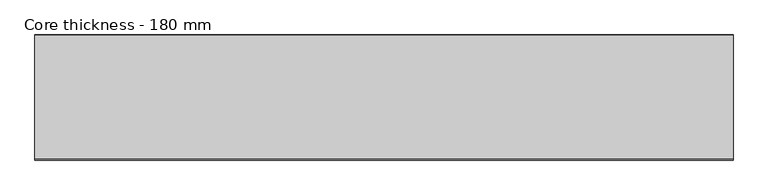
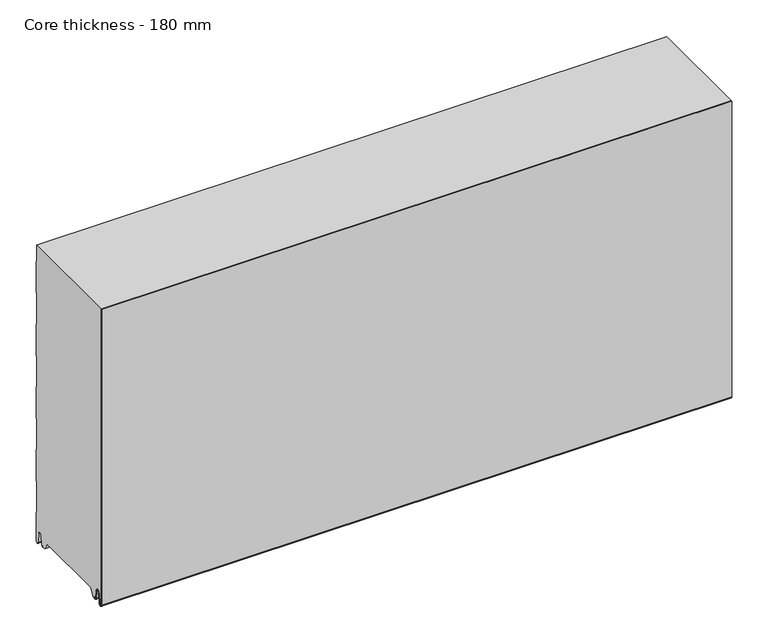
"""IFC4 building model written with IfcOpenShell, lengths in millimetres: plate geometry, Core thickness - 180 mm."""

from ifc_helpers import new_model, si_unit, frame, origin, place, context, project, spatial, polyline, circle_curve, source, transform, mapped, element, save
from ifc_brep_helpers import plane_surface, cylinder_surface, revolved_surface, advanced_brep


def core_thickness_180_mm_d8a94080(model_context):
    return source(origin(), model_context, "Body", "AdvancedBrep", [
        advanced_brep(
        [(500.0000002, -179.9996949, 3.0900682), (500.0000002, -173.81449, 2.7875612), (500.0000002, -172.197116, 19.2828169), (500.0000002, -169.1776715, 21.9898782), (500.0000002, -166.1582271, 19.2828169), (500.0000002, -164.7725998, 5.1510966), (500.0000002, -160.3830995, 5.365779), (500.0000002, -161.1830995, 5.365779), (500.0000002, -163.9764178, 5.2291629), (500.0000002, -165.3620451, 19.3608832), (500.0000002, -169.1776715, 22.7899182), (500.0000002, -172.9932979, 19.3608832), (500.0000002, -174.6106719, 2.8656275), (500.0000002, -179.1996949, 3.0900682), (500.0000002, -179.2, 500.0), (500.0000002, -179.9996949, 500.0), (-500.0000002, -179.1996949, 3.0900682), (-500.0000002, -174.6106719, 2.8656275), (-500.0000002, -172.9932979, 19.3608832), (-500.0000002, -169.1776715, 22.7899182), (-500.0000002, -165.3620451, 19.3608832), (-500.0000002, -163.9764178, 5.2291629), (-500.0000002, -161.1830995, 5.365779), (-500.0000002, -160.3830995, 5.365779), (-500.0000002, -164.7725998, 5.1510966), (-500.0000002, -166.1582271, 19.2828169), (-500.0000002, -169.1776715, 21.9898782), (-500.0000002, -172.197116, 19.2828169), (-500.0000002, -173.81449, 2.7875612), (-500.0000002, -179.9996949, 3.0900682), (-500.0000002, -179.9996949, 500.0), (-500.0000002, -179.2, 500.0)],
        [
            (0, 1, circle_curve(frame((500.0000002, -176.8996949, 3.0900682), z_axis=(1.0, 0.0, 0.0), x_axis=(0.0, 0.0, -1.0)), 3.1)),
            (1, 2),
            (2, 3, circle_curve(frame((500.0000002, -169.2114338, 18.9900682), z_axis=(-1.0, 0.0, 0.0), x_axis=(0.0, 0.0, -1.0)), 3.0)),
            (3, 4, circle_curve(frame((500.0000002, -169.1439093, 18.9900682), z_axis=(-1.0, 0.0, 0.0), x_axis=(0.0, 0.0, -1.0)), 3.0)),
            (4, 5),
            (5, 6, circle_curve(frame((500.0000002, -162.5830995, 5.365779), z_axis=(1.0, 0.0, 0.0), x_axis=(0.0, 0.0, -1.0)), 2.2)),
            (6, 7),
            (7, 8, circle_curve(frame((500.0000002, -162.5830995, 5.365779), z_axis=(-1.0, 0.0, 0.0), x_axis=(0.0, 0.0, -1.0)), 1.4)),
            (8, 9),
            (9, 10, circle_curve(frame((500.0000002, -169.1439093, 18.9900682), z_axis=(1.0, 0.0, 0.0), x_axis=(0.0, 0.0, -1.0)), 3.8)),
            (10, 11, circle_curve(frame((500.0000002, -169.2114338, 18.9900682), z_axis=(1.0, 0.0, 0.0), x_axis=(0.0, 0.0, -1.0)), 3.8)),
            (11, 12),
            (12, 13, circle_curve(frame((500.0000002, -176.8996949, 3.0900682), z_axis=(-1.0, 0.0, 0.0), x_axis=(0.0, 0.0, -1.0)), 2.3)),
            (13, 14),
            (14, 15),
            (15, 0),
            (16, 17, circle_curve(frame((-500.0000002, -176.8996949, 3.0900682), z_axis=(1.0, 0.0, 0.0), x_axis=(0.0, 0.0, -1.0)), 2.3)),
            (17, 18),
            (18, 19, circle_curve(frame((-500.0000002, -169.2114338, 18.9900682), z_axis=(-1.0, 0.0, 0.0), x_axis=(0.0, 0.0, -1.0)), 3.8)),
            (19, 20, circle_curve(frame((-500.0000002, -169.1439093, 18.9900682), z_axis=(-1.0, 0.0, 0.0), x_axis=(0.0, 0.0, -1.0)), 3.8)),
            (20, 21),
            (21, 22, circle_curve(frame((-500.0000002, -162.5830995, 5.365779), z_axis=(1.0, 0.0, 0.0), x_axis=(0.0, 0.0, -1.0)), 1.4)),
            (22, 23),
            (23, 24, circle_curve(frame((-500.0000002, -162.5830995, 5.365779), z_axis=(-1.0, 0.0, 0.0), x_axis=(0.0, 0.0, -1.0)), 2.2)),
            (24, 25),
            (25, 26, circle_curve(frame((-500.0000002, -169.1439093, 18.9900682), z_axis=(1.0, 0.0, 0.0), x_axis=(0.0, 0.0, -1.0)), 3.0)),
            (26, 27, circle_curve(frame((-500.0000002, -169.2114338, 18.9900682), z_axis=(1.0, 0.0, 0.0), x_axis=(0.0, 0.0, -1.0)), 3.0)),
            (27, 28),
            (28, 29, circle_curve(frame((-500.0000002, -176.8996949, 3.0900682), z_axis=(-1.0, 0.0, 0.0), x_axis=(0.0, 0.0, -1.0)), 3.1)),
            (29, 30),
            (30, 31),
            (31, 16),
            (13, 16),
            (31, 14),
            (12, 17),
            (11, 18),
            (10, 19),
            (9, 20),
            (8, 21),
            (7, 22),
            (6, 23),
            (5, 24),
            (4, 25),
            (3, 26),
            (2, 27),
            (1, 28),
            (0, 29),
            (15, 30),
        ],
        [
            plane_surface(frame((500.0000002, -180.0, 0.0), z_axis=(1.0, 0.0, 0.0), x_axis=(0.0, 1.0, 0.0))),
            plane_surface(frame((-500.0000002, -180.0, 0.0), z_axis=(-1.0, 0.0, 0.0), x_axis=(0.0, 1.0, 0.0))),
            plane_surface(frame((500.0000002, -179.2, 3.0900682), z_axis=(0.0, 1.0, 0.0), x_axis=(-1.0, 0.0, 0.0))),
            revolved_surface(polyline([(-500.0000002, -176.8996949, 0.7900682000000003), (500.0000002, -176.8996949, 0.7900682000000003)]), (500.0000002, -176.8996949, 3.0900682), (-1.0, 0.0, 0.0)),
            plane_surface(frame((500.0000002, -172.9932979, 19.3608832), z_axis=(0.0, -0.9952273999818314, 0.09758289975914787), x_axis=(-1.0, 0.0, 0.0))),
            cylinder_surface(frame((500.0000002, -169.2114338, 18.9900682), z_axis=(1.0, 0.0, 0.0), x_axis=(0.0, 0.0, -1.0)), 3.8),
            cylinder_surface(frame((500.0000002, -169.1439093, 18.9900682), z_axis=(1.0, 0.0, 0.0), x_axis=(0.0, 0.0, -1.0)), 3.8),
            plane_surface(frame((500.0000002, -163.9764178, 5.2291629), z_axis=(0.0, 0.9952273999818297, 0.09758289975916531), x_axis=(-1.0, 0.0, 0.0))),
            revolved_surface(polyline([(-500.0000002, -162.5830995, 3.965779), (500.0000002, -162.5830995, 3.965779)]), (500.0000002, -162.5830995, 5.365779), (-1.0, 0.0, 0.0)),
            plane_surface(frame((500.0000002, -160.3830995, 5.365779), z_axis=(0.0, 0.0, 1.0), x_axis=(-1.0, 0.0, 0.0))),
            cylinder_surface(frame((500.0000002, -162.5830995, 5.365779), z_axis=(1.0, 0.0, 0.0), x_axis=(0.0, 0.0, -1.0)), 2.2),
            plane_surface(frame((500.0000002, -166.1582271, 19.2828169), z_axis=(0.0, -0.9952273999818296, -0.09758289975916527), x_axis=(-1.0, 0.0, 0.0))),
            revolved_surface(polyline([(-500.0000002, -169.1439093, 15.9900682), (500.0000002, -169.1439093, 15.9900682)]), (500.0000002, -169.1439093, 18.9900682), (-1.0, 0.0, 0.0)),
            revolved_surface(polyline([(-500.0000002, -169.2114338, 15.9900682), (500.0000002, -169.2114338, 15.9900682)]), (500.0000002, -169.2114338, 18.9900682), (-1.0, 0.0, 0.0)),
            plane_surface(frame((500.0000002, -173.81449, 2.7875612), z_axis=(0.0, 0.9952273999818314, -0.09758289975914787), x_axis=(-1.0, 0.0, 0.0))),
            cylinder_surface(frame((500.0000002, -176.8996949, 3.0900682), z_axis=(1.0, 0.0, 0.0), x_axis=(0.0, 0.0, -1.0)), 3.1),
            plane_surface(frame((500.0000002, -179.9996949, 993.9000005), z_axis=(0.0, -1.0, 0.0), x_axis=(-1.0, 0.0, 0.0))),
            plane_surface(frame((-500.0000002, 134.0533409, 500.0), z_axis=(0.0, 0.0, 1.0), x_axis=(1.0, 0.0, 0.0))),
        ],
        [
            (0, [[1, 2, 3, 4, 5, 6, 7, 8, 9, 10, 11, 12, 13, 14, 15, 16]]),
            (1, [[17, 18, 19, 20, 21, 22, 23, 24, 25, 26, 27, 28, 29, 30, 31, 32]]),
            (2, [[33, -32, 34, -14]]),
            (3, [[-13, 35, -17, -33]]),
            (4, [[-12, 36, -18, -35]]),
            (5, [[-11, 37, -19, -36]]),
            (6, [[-10, 38, -20, -37]]),
            (7, [[-9, 39, -21, -38]]),
            (8, [[-8, 40, -22, -39]]),
            (9, [[-7, 41, -23, -40]]),
            (10, [[-6, 42, -24, -41]]),
            (11, [[-5, 43, -25, -42]]),
            (12, [[-4, 44, -26, -43]]),
            (13, [[-3, 45, -27, -44]]),
            (14, [[-2, 46, -28, -45]]),
            (15, [[-1, 47, -29, -46]]),
            (16, [[-47, -16, 48, -30]]),
            (17, [[-15, -34, -31, -48]]),
        ],
    ),
        advanced_brep(
        [(500.0000002, -149.873448, 15.1417681), (500.0000002, -30.126552, 15.1417681), (500.0000002, -23.4071318, 3.165779), (500.0000002, -17.4169005, 3.165779), (500.0000002, -19.6169005, 5.365779), (500.0000002, -18.8169005, 5.365779), (500.0000002, -16.0235822, 5.2291629), (500.0000002, -14.6379549, 19.3608832), (500.0000002, -10.8223285, 22.7899182), (500.0000002, -7.0067021, 19.3608832), (500.0000002, -5.3893281, 2.8656275), (500.0000002, -0.8003051, 3.0900682), (500.0000002, -0.8, 49.9459237), (500.0000002, -1.0986697, 50.9973395), (500.0000002, -1.5003051, 52.4177205), (500.0000002, -1.5003051, 102.5775037), (500.0000002, -1.0971009, 103.9969151), (500.0000002, -0.8, 105.0493005), (500.0000002, -0.8, 155.2090837), (500.0000002, -1.0986697, 156.2604995), (500.0000002, -1.5003051, 157.6808805), (500.0000002, -1.5003051, 207.8406637), (500.0000002, -1.0971009, 209.2600751), (500.0000002, -0.8, 210.3124605), (500.0000002, -0.8, 260.4722437), (500.0000002, -1.0986697, 261.5236595), (500.0000002, -1.5003051, 262.9440405), (500.0000002, -1.5003051, 313.1038237), (500.0000002, -1.0971009, 314.5232351), (500.0000002, -0.8, 315.5756205), (500.0000002, -0.8, 365.7354037), (500.0000002, -1.0986697, 366.7868195), (500.0000002, -1.5003051, 368.2072005), (500.0000002, -1.5003051, 418.3669837), (500.0000002, -1.0971009, 419.7863951), (500.0000002, -0.8, 420.8387805), (500.0000002, -0.8, 470.9985637), (500.0000002, -1.0986697, 472.0499795), (500.0000002, -1.5003051, 473.4703605), (500.0000002, -1.5003051, 500.0), (500.0000002, -179.2, 500.0), (500.0000002, -179.2, 3.0900682), (500.0000002, -174.6106719, 2.8656275), (500.0000002, -172.9932979, 19.3608832), (500.0000002, -169.1776715, 22.7899182), (500.0000002, -165.3620451, 19.3608832), (500.0000002, -163.9764178, 5.2291629), (500.0000002, -161.1830995, 5.365779), (500.0000002, -160.3830995, 5.365779), (500.0000002, -162.5830995, 3.165779), (500.0000002, -156.5928682, 3.165779), (-500.0000002, -30.126552, 15.1417681), (-500.0000002, -149.873448, 15.1417681), (-500.0000002, -156.5928682, 3.165779), (-500.0000002, -162.5830995, 3.165779), (-500.0000002, -160.3830995, 5.365779), (-500.0000002, -161.1830995, 5.365779), (-500.0000002, -163.9764178, 5.2291629), (-500.0000002, -165.3620451, 19.3608832), (-500.0000002, -169.1776715, 22.7899182), (-500.0000002, -172.9932979, 19.3608832), (-500.0000002, -174.6106719, 2.8656275), (-500.0000002, -179.1996949, 3.0900682), (-500.0000002, -179.2, 500.0), (-500.0000002, -1.5003051, 500.0), (-500.0000002, -1.5003051, 473.4703605), (-500.0000002, -1.0971009, 472.0509491), (-500.0000002, -0.8, 470.9985637), (-500.0000002, -0.8, 420.8387805), (-500.0000002, -1.0986697, 419.7873646), (-500.0000002, -1.5003051, 418.3669837), (-500.0000002, -1.5003051, 368.2072005), (-500.0000002, -1.0971009, 366.7877891), (-500.0000002, -0.8, 365.7354037), (-500.0000002, -0.8, 315.5756205), (-500.0000002, -1.0986697, 314.5242046), (-500.0000002, -1.5003051, 313.1038237), (-500.0000002, -1.5003051, 262.9440405), (-500.0000002, -1.0971009, 261.5246291), (-500.0000002, -0.8, 260.4722437), (-500.0000002, -0.8, 210.3124605), (-500.0000002, -1.0986697, 209.2610446), (-500.0000002, -1.5003051, 207.8406637), (-500.0000002, -1.5003051, 157.6808805), (-500.0000002, -1.0971009, 156.2614691), (-500.0000002, -0.8, 155.2090837), (-500.0000002, -0.8, 105.0493005), (-500.0000002, -1.0986697, 103.9978846), (-500.0000002, -1.5003051, 102.5775037), (-500.0000002, -1.5003051, 52.4177205), (-500.0000002, -1.0971009, 50.9983091), (-500.0000002, -0.8, 49.9459237), (-500.0000002, -0.8, 3.0900682), (-500.0000002, -5.3893281, 2.8656275), (-500.0000002, -7.0067021, 19.3608832), (-500.0000002, -10.8223285, 22.7899182), (-500.0000002, -14.6379549, 19.3608832), (-500.0000002, -16.0235822, 5.2291629), (-500.0000002, -18.8169005, 5.365779), (-500.0000002, -19.6169005, 5.365779), (-500.0000002, -17.4169005, 3.165779), (-500.0000002, -23.4071318, 3.165779)],
        [
            (0, 1),
            (1, 2),
            (2, 3),
            (3, 4, circle_curve(frame((500.0000002, -17.4169005, 5.365779), z_axis=(-1.0, 0.0, 0.0), x_axis=(0.0, 0.0, -1.0)), 2.2)),
            (4, 5),
            (5, 6, circle_curve(frame((500.0000002, -17.4169005, 5.365779), z_axis=(1.0, 0.0, 0.0), x_axis=(0.0, 0.0, -1.0)), 1.4)),
            (6, 7),
            (7, 8, circle_curve(frame((500.0000002, -10.8560907, 18.9900682), z_axis=(-1.0, 0.0, 0.0), x_axis=(0.0, 0.0, -1.0)), 3.8)),
            (8, 9, circle_curve(frame((500.0000002, -10.7885662, 18.9900682), z_axis=(-1.0, 0.0, 0.0), x_axis=(0.0, 0.0, -1.0)), 3.8)),
            (9, 10),
            (10, 11, circle_curve(frame((500.0000002, -3.1003051, 3.0900682), z_axis=(1.0, 0.0, 0.0), x_axis=(0.0, 0.0, -1.0)), 2.3)),
            (11, 12),
            (12, 13, circle_curve(frame((500.0000002, -2.8, 49.9459237), z_axis=(1.0, 0.0, 0.0), x_axis=(0.0, 0.0, -1.0)), 2.0)),
            (13, 14, circle_curve(frame((500.0000002, 1.1996949, 52.4177205), z_axis=(-1.0, 0.0, 0.0), x_axis=(0.0, 0.0, -1.0)), 2.7)),
            (14, 15),
            (15, 16, circle_curve(frame((500.0000002, 1.1996949, 102.5775037), z_axis=(-1.0, 0.0, 0.0), x_axis=(0.0, 0.0, -1.0)), 2.7)),
            (16, 17, circle_curve(frame((500.0000002, -2.8, 105.0493005), z_axis=(1.0, 0.0, 0.0), x_axis=(0.0, 0.0, -1.0)), 2.0)),
            (17, 18),
            (18, 19, circle_curve(frame((500.0000002, -2.8, 155.2090837), z_axis=(1.0, 0.0, 0.0), x_axis=(0.0, 0.0, -1.0)), 2.0)),
            (19, 20, circle_curve(frame((500.0000002, 1.1996949, 157.6808805), z_axis=(-1.0, 0.0, 0.0), x_axis=(0.0, 0.0, -1.0)), 2.7)),
            (20, 21),
            (21, 22, circle_curve(frame((500.0000002, 1.1996949, 207.8406637), z_axis=(-1.0, 0.0, 0.0), x_axis=(0.0, 0.0, -1.0)), 2.7)),
            (22, 23, circle_curve(frame((500.0000002, -2.8, 210.3124605), z_axis=(1.0, 0.0, 0.0), x_axis=(0.0, 0.0, -1.0)), 2.0)),
            (23, 24),
            (24, 25, circle_curve(frame((500.0000002, -2.8, 260.4722437), z_axis=(1.0, 0.0, 0.0), x_axis=(0.0, 0.0, -1.0)), 2.0)),
            (25, 26, circle_curve(frame((500.0000002, 1.1996949, 262.9440405), z_axis=(-1.0, 0.0, 0.0), x_axis=(0.0, 0.0, -1.0)), 2.7)),
            (26, 27),
            (27, 28, circle_curve(frame((500.0000002, 1.1996949, 313.1038237), z_axis=(-1.0, 0.0, 0.0), x_axis=(0.0, 0.0, -1.0)), 2.7)),
            (28, 29, circle_curve(frame((500.0000002, -2.8, 315.5756205), z_axis=(1.0, 0.0, 0.0), x_axis=(0.0, 0.0, -1.0)), 2.0)),
            (29, 30),
            (30, 31, circle_curve(frame((500.0000002, -2.8, 365.7354037), z_axis=(1.0, 0.0, 0.0), x_axis=(0.0, 0.0, -1.0)), 2.0)),
            (31, 32, circle_curve(frame((500.0000002, 1.1996949, 368.2072005), z_axis=(-1.0, 0.0, 0.0), x_axis=(0.0, 0.0, -1.0)), 2.7)),
            (32, 33),
            (33, 34, circle_curve(frame((500.0000002, 1.1996949, 418.3669837), z_axis=(-1.0, 0.0, 0.0), x_axis=(0.0, 0.0, -1.0)), 2.7)),
            (34, 35, circle_curve(frame((500.0000002, -2.8, 420.8387805), z_axis=(1.0, 0.0, 0.0), x_axis=(0.0, 0.0, -1.0)), 2.0)),
            (35, 36),
            (36, 37, circle_curve(frame((500.0000002, -2.8, 470.9985637), z_axis=(1.0, 0.0, 0.0), x_axis=(0.0, 0.0, -1.0)), 2.0)),
            (37, 38, circle_curve(frame((500.0000002, 1.1996949, 473.4703605), z_axis=(-1.0, 0.0, 0.0), x_axis=(0.0, 0.0, -1.0)), 2.7)),
            (38, 39),
            (39, 40),
            (40, 41),
            (41, 42, circle_curve(frame((500.0000002, -176.8996949, 3.0900682), z_axis=(1.0, 0.0, 0.0), x_axis=(0.0, 0.0, -1.0)), 2.3)),
            (42, 43),
            (43, 44, circle_curve(frame((500.0000002, -169.2114338, 18.9900682), z_axis=(-1.0, 0.0, 0.0), x_axis=(0.0, 0.0, -1.0)), 3.8)),
            (44, 45, circle_curve(frame((500.0000002, -169.1439093, 18.9900682), z_axis=(-1.0, 0.0, 0.0), x_axis=(0.0, 0.0, -1.0)), 3.8)),
            (45, 46),
            (46, 47, circle_curve(frame((500.0000002, -162.5830995, 5.365779), z_axis=(1.0, 0.0, 0.0), x_axis=(0.0, 0.0, -1.0)), 1.4)),
            (47, 48),
            (48, 49, circle_curve(frame((500.0000002, -162.5830995, 5.365779), z_axis=(-1.0, 0.0, 0.0), x_axis=(0.0, 0.0, -1.0)), 2.2)),
            (49, 50),
            (50, 0),
            (51, 52),
            (52, 53),
            (53, 54),
            (54, 55, circle_curve(frame((-500.0000002, -162.5830995, 5.365779), z_axis=(1.0, 0.0, 0.0), x_axis=(0.0, 0.0, -1.0)), 2.2)),
            (55, 56),
            (56, 57, circle_curve(frame((-500.0000002, -162.5830995, 5.365779), z_axis=(-1.0, 0.0, 0.0), x_axis=(0.0, 0.0, -1.0)), 1.4)),
            (57, 58),
            (58, 59, circle_curve(frame((-500.0000002, -169.1439093, 18.9900682), z_axis=(1.0, 0.0, 0.0), x_axis=(0.0, 0.0, -1.0)), 3.8)),
            (59, 60, circle_curve(frame((-500.0000002, -169.2114338, 18.9900682), z_axis=(1.0, 0.0, 0.0), x_axis=(0.0, 0.0, -1.0)), 3.8)),
            (60, 61),
            (61, 62, circle_curve(frame((-500.0000002, -176.8996949, 3.0900682), z_axis=(-1.0, 0.0, 0.0), x_axis=(0.0, 0.0, -1.0)), 2.3)),
            (62, 63),
            (63, 64),
            (64, 65),
            (65, 66, circle_curve(frame((-500.0000002, 1.1996949, 473.4703605), z_axis=(1.0, 0.0, 0.0), x_axis=(0.0, 0.0, -1.0)), 2.7)),
            (66, 67, circle_curve(frame((-500.0000002, -2.8, 470.9985637), z_axis=(-1.0, 0.0, 0.0), x_axis=(0.0, 0.0, -1.0)), 2.0)),
            (67, 68),
            (68, 69, circle_curve(frame((-500.0000002, -2.8, 420.8387805), z_axis=(-1.0, 0.0, 0.0), x_axis=(0.0, 0.0, -1.0)), 2.0)),
            (69, 70, circle_curve(frame((-500.0000002, 1.1996949, 418.3669837), z_axis=(1.0, 0.0, 0.0), x_axis=(0.0, 0.0, -1.0)), 2.7)),
            (70, 71),
            (71, 72, circle_curve(frame((-500.0000002, 1.1996949, 368.2072005), z_axis=(1.0, 0.0, 0.0), x_axis=(0.0, 0.0, -1.0)), 2.7)),
            (72, 73, circle_curve(frame((-500.0000002, -2.8, 365.7354037), z_axis=(-1.0, 0.0, 0.0), x_axis=(0.0, 0.0, -1.0)), 2.0)),
            (73, 74),
            (74, 75, circle_curve(frame((-500.0000002, -2.8, 315.5756205), z_axis=(-1.0, 0.0, 0.0), x_axis=(0.0, 0.0, -1.0)), 2.0)),
            (75, 76, circle_curve(frame((-500.0000002, 1.1996949, 313.1038237), z_axis=(1.0, 0.0, 0.0), x_axis=(0.0, 0.0, -1.0)), 2.7)),
            (76, 77),
            (77, 78, circle_curve(frame((-500.0000002, 1.1996949, 262.9440405), z_axis=(1.0, 0.0, 0.0), x_axis=(0.0, 0.0, -1.0)), 2.7)),
            (78, 79, circle_curve(frame((-500.0000002, -2.8, 260.4722437), z_axis=(-1.0, 0.0, 0.0), x_axis=(0.0, 0.0, -1.0)), 2.0)),
            (79, 80),
            (80, 81, circle_curve(frame((-500.0000002, -2.8, 210.3124605), z_axis=(-1.0, 0.0, 0.0), x_axis=(0.0, 0.0, -1.0)), 2.0)),
            (81, 82, circle_curve(frame((-500.0000002, 1.1996949, 207.8406637), z_axis=(1.0, 0.0, 0.0), x_axis=(0.0, 0.0, -1.0)), 2.7)),
            (82, 83),
            (83, 84, circle_curve(frame((-500.0000002, 1.1996949, 157.6808805), z_axis=(1.0, 0.0, 0.0), x_axis=(0.0, 0.0, -1.0)), 2.7)),
            (84, 85, circle_curve(frame((-500.0000002, -2.8, 155.2090837), z_axis=(-1.0, 0.0, 0.0), x_axis=(0.0, 0.0, -1.0)), 2.0)),
            (85, 86),
            (86, 87, circle_curve(frame((-500.0000002, -2.8, 105.0493005), z_axis=(-1.0, 0.0, 0.0), x_axis=(0.0, 0.0, -1.0)), 2.0)),
            (87, 88, circle_curve(frame((-500.0000002, 1.1996949, 102.5775037), z_axis=(1.0, 0.0, 0.0), x_axis=(0.0, 0.0, -1.0)), 2.7)),
            (88, 89),
            (89, 90, circle_curve(frame((-500.0000002, 1.1996949, 52.4177205), z_axis=(1.0, 0.0, 0.0), x_axis=(0.0, 0.0, -1.0)), 2.7)),
            (90, 91, circle_curve(frame((-500.0000002, -2.8, 49.9459237), z_axis=(-1.0, 0.0, 0.0), x_axis=(0.0, 0.0, -1.0)), 2.0)),
            (91, 92),
            (92, 93, circle_curve(frame((-500.0000002, -3.1003051, 3.0900682), z_axis=(-1.0, 0.0, 0.0), x_axis=(0.0, 0.0, -1.0)), 2.3)),
            (93, 94),
            (94, 95, circle_curve(frame((-500.0000002, -10.7885662, 18.9900682), z_axis=(1.0, 0.0, 0.0), x_axis=(0.0, 0.0, -1.0)), 3.8)),
            (95, 96, circle_curve(frame((-500.0000002, -10.8560907, 18.9900682), z_axis=(1.0, 0.0, 0.0), x_axis=(0.0, 0.0, -1.0)), 3.8)),
            (96, 97),
            (97, 98, circle_curve(frame((-500.0000002, -17.4169005, 5.365779), z_axis=(-1.0, 0.0, 0.0), x_axis=(0.0, 0.0, -1.0)), 1.4)),
            (98, 99),
            (99, 100, circle_curve(frame((-500.0000002, -17.4169005, 5.365779), z_axis=(1.0, 0.0, 0.0), x_axis=(0.0, 0.0, -1.0)), 2.2)),
            (100, 101),
            (101, 51),
            (1, 51),
            (101, 2),
            (0, 52),
            (50, 53),
            (99, 4),
            (3, 100),
            (98, 5),
            (97, 6),
            (96, 7),
            (95, 8),
            (94, 9),
            (93, 10),
            (92, 11),
            (91, 12),
            (90, 13),
            (89, 14),
            (88, 15),
            (87, 16),
            (86, 17),
            (85, 18),
            (84, 19),
            (83, 20),
            (82, 21),
            (81, 22),
            (80, 23),
            (79, 24),
            (78, 25),
            (77, 26),
            (76, 27),
            (75, 28),
            (74, 29),
            (73, 30),
            (72, 31),
            (71, 32),
            (70, 33),
            (69, 34),
            (68, 35),
            (67, 36),
            (66, 37),
            (65, 38),
            (64, 39),
            (62, 41),
            (40, 63),
            (61, 42),
            (60, 43),
            (59, 44),
            (58, 45),
            (57, 46),
            (56, 47),
            (55, 48),
            (54, 49),
        ],
        [
            plane_surface(frame((500.0000002, 0.0, 0.0), z_axis=(1.0, 0.0, 0.0), x_axis=(0.0, -1.0, 0.0))),
            plane_surface(frame((-500.0000002, 0.0, 0.0), z_axis=(-1.0, 0.0, 0.0), x_axis=(0.0, -1.0, 0.0))),
            plane_surface(frame((500.0000002, -30.126552, 15.1417681), z_axis=(0.0, -0.8721062992196836, -0.4893164649399687), x_axis=(-1.0, 0.0, 0.0))),
            plane_surface(frame((500.0000002, -149.873448, 15.1417681), z_axis=(0.0, 0.0, -1.0), x_axis=(-1.0, 0.0, 0.0))),
            plane_surface(frame((500.0000002, -156.8190247, 2.7627014), z_axis=(0.0, 0.8721062992196862, -0.4893164649399642), x_axis=(-1.0, 0.0, 0.0))),
            revolved_surface(polyline([(500.0000002, -17.4169005, 3.1657789999999997), (-500.00000020000004, -17.4169005, 3.1657789999999997)]), (630.0000002, -17.4169005, 5.365779), (1.0, 0.0, 0.0)),
            plane_surface(frame((630.0000002, -18.8169005, 5.365779), z_axis=(0.0, 0.0, -1.0), x_axis=(-1.0, 0.0, 0.0))),
            cylinder_surface(frame((630.0000002, -17.4169005, 5.365779), z_axis=(-1.0, 0.0, 0.0), x_axis=(0.0, 0.0, -1.0)), 1.4),
            plane_surface(frame((630.0000002, -14.6379549, 19.3608832), z_axis=(0.0, 0.9952273999818297, -0.09758289975916531), x_axis=(-1.0, 0.0, 0.0))),
            revolved_surface(polyline([(500.0000002, -10.8560907, 15.190068199999999), (-500.00000020000004, -10.8560907, 15.190068199999999)]), (630.0000002, -10.8560907, 18.9900682), (1.0, 0.0, 0.0)),
            revolved_surface(polyline([(500.0000002, -10.7885662, 15.190068199999999), (-500.00000020000004, -10.7885662, 15.190068199999999)]), (630.0000002, -10.7885662, 18.9900682), (1.0, 0.0, 0.0)),
            plane_surface(frame((630.0000002, -5.3893281, 2.8656275), z_axis=(0.0, -0.9952273999818314, -0.09758289975914787), x_axis=(-1.0, 0.0, 0.0))),
            cylinder_surface(frame((630.0000002, -3.1003051, 3.0900682), z_axis=(-1.0, 0.0, 0.0), x_axis=(0.0, 0.0, -1.0)), 2.3),
            plane_surface(frame((630.0000002, -0.8, 49.9459237), z_axis=(0.0, 1.0, 0.0), x_axis=(-1.0, 0.0, 0.0))),
            cylinder_surface(frame((630.0000002, -2.8, 49.9459237), z_axis=(-1.0, 0.0, 0.0), x_axis=(0.0, 0.0, -1.0)), 2.0),
            revolved_surface(polyline([(500.0000002, 1.1996949, 49.7177205), (-500.00000020000004, 1.1996949, 49.7177205)]), (630.0000002, 1.1996949, 52.4177205), (1.0, 0.0, 0.0)),
            plane_surface(frame((630.0000002, -1.5003051, 102.5775037), z_axis=(0.0, 1.0, 0.0), x_axis=(-1.0, 0.0, 0.0))),
            revolved_surface(polyline([(500.0000002, 1.1996949, 99.87750369999999), (-500.00000020000004, 1.1996949, 99.87750369999999)]), (630.0000002, 1.1996949, 102.5775037), (1.0, 0.0, 0.0)),
            cylinder_surface(frame((630.0000002, -2.8, 105.0493005), z_axis=(-1.0, 0.0, 0.0), x_axis=(0.0, 0.0, -1.0)), 2.0),
            plane_surface(frame((630.0000002, -0.8, 155.2090837), z_axis=(0.0, 1.0, 0.0), x_axis=(-1.0, 0.0, 0.0))),
            cylinder_surface(frame((630.0000002, -2.8, 155.2090837), z_axis=(-1.0, 0.0, 0.0), x_axis=(0.0, 0.0, -1.0)), 2.0),
            revolved_surface(polyline([(500.0000002, 1.1996949, 154.9808805), (-500.00000020000004, 1.1996949, 154.9808805)]), (630.0000002, 1.1996949, 157.6808805), (1.0, 0.0, 0.0)),
            plane_surface(frame((630.0000002, -1.5003051, 207.8406637), z_axis=(0.0, 1.0, 0.0), x_axis=(-1.0, 0.0, 0.0))),
            revolved_surface(polyline([(500.0000002, 1.1996949, 205.1406637), (-500.00000020000004, 1.1996949, 205.1406637)]), (630.0000002, 1.1996949, 207.8406637), (1.0, 0.0, 0.0)),
            cylinder_surface(frame((630.0000002, -2.8, 210.3124605), z_axis=(-1.0, 0.0, 0.0), x_axis=(0.0, 0.0, -1.0)), 2.0),
            plane_surface(frame((630.0000002, -0.8, 260.4722437), z_axis=(0.0, 1.0, 0.0), x_axis=(-1.0, 0.0, 0.0))),
            cylinder_surface(frame((630.0000002, -2.8, 260.4722437), z_axis=(-1.0, 0.0, 0.0), x_axis=(0.0, 0.0, -1.0)), 2.0),
            revolved_surface(polyline([(500.0000002, 1.1996949, 260.24404050000004), (-500.00000020000004, 1.1996949, 260.24404050000004)]), (630.0000002, 1.1996949, 262.9440405), (1.0, 0.0, 0.0)),
            plane_surface(frame((630.0000002, -1.5003051, 313.1038237), z_axis=(0.0, 1.0, 0.0), x_axis=(-1.0, 0.0, 0.0))),
            revolved_surface(polyline([(500.0000002, 1.1996949, 310.40382370000003), (-500.00000020000004, 1.1996949, 310.40382370000003)]), (630.0000002, 1.1996949, 313.1038237), (1.0, 0.0, 0.0)),
            cylinder_surface(frame((630.0000002, -2.8, 315.5756205), z_axis=(-1.0, 0.0, 0.0), x_axis=(0.0, 0.0, -1.0)), 2.0),
            plane_surface(frame((630.0000002, -0.8, 365.7354037), z_axis=(0.0, 1.0, 0.0), x_axis=(-1.0, 0.0, 0.0))),
            cylinder_surface(frame((630.0000002, -2.8, 365.7354037), z_axis=(-1.0, 0.0, 0.0), x_axis=(0.0, 0.0, -1.0)), 2.0),
            revolved_surface(polyline([(500.0000002, 1.1996949, 365.5072005), (-500.00000020000004, 1.1996949, 365.5072005)]), (630.0000002, 1.1996949, 368.2072005), (1.0, 0.0, 0.0)),
            plane_surface(frame((630.0000002, -1.5003051, 418.3669837), z_axis=(0.0, 1.0, 0.0), x_axis=(-1.0, 0.0, 0.0))),
            revolved_surface(polyline([(500.0000002, 1.1996949, 415.6669837), (-500.00000020000004, 1.1996949, 415.6669837)]), (630.0000002, 1.1996949, 418.3669837), (1.0, 0.0, 0.0)),
            cylinder_surface(frame((630.0000002, -2.8, 420.8387805), z_axis=(-1.0, 0.0, 0.0), x_axis=(0.0, 0.0, -1.0)), 2.0),
            plane_surface(frame((630.0000002, -0.8, 470.9985637), z_axis=(0.0, 1.0, 0.0), x_axis=(-1.0, 0.0, 0.0))),
            cylinder_surface(frame((630.0000002, -2.8, 470.9985637), z_axis=(-1.0, 0.0, 0.0), x_axis=(0.0, 0.0, -1.0)), 2.0),
            revolved_surface(polyline([(500.0000002, 1.1996949, 470.77036050000004), (-500.00000020000004, 1.1996949, 470.77036050000004)]), (630.0000002, 1.1996949, 473.4703605), (1.0, 0.0, 0.0)),
            plane_surface(frame((630.0000002, -1.5003051, 523.6301437), z_axis=(0.0, 1.0, 0.0), x_axis=(-1.0, 0.0, 0.0))),
            plane_surface(frame((630.0000002, -179.2, 3.0900682), z_axis=(0.0, -1.0, 0.0), x_axis=(-1.0, 0.0, 0.0))),
            cylinder_surface(frame((630.0000002, -176.8996949, 3.0900682), z_axis=(-1.0, 0.0, 0.0), x_axis=(0.0, 0.0, -1.0)), 2.3),
            plane_surface(frame((630.0000002, -172.9932979, 19.3608832), z_axis=(0.0, 0.9952273999818314, -0.09758289975914787), x_axis=(-1.0, 0.0, 0.0))),
            revolved_surface(polyline([(500.0000002, -169.2114338, 15.190068199999999), (-500.00000020000004, -169.2114338, 15.190068199999999)]), (630.0000002, -169.2114338, 18.9900682), (1.0, 0.0, 0.0)),
            revolved_surface(polyline([(500.0000002, -169.1439093, 15.190068199999999), (-500.00000020000004, -169.1439093, 15.190068199999999)]), (630.0000002, -169.1439093, 18.9900682), (1.0, 0.0, 0.0)),
            plane_surface(frame((630.0000002, -163.9764178, 5.2291629), z_axis=(0.0, -0.9952273999818297, -0.09758289975916531), x_axis=(-1.0, 0.0, 0.0))),
            cylinder_surface(frame((630.0000002, -162.5830995, 5.365779), z_axis=(-1.0, 0.0, 0.0), x_axis=(0.0, 0.0, -1.0)), 1.4),
            plane_surface(frame((630.0000002, -160.3830995, 5.365779), z_axis=(0.0, 0.0, -1.0), x_axis=(-1.0, 0.0, 0.0))),
            revolved_surface(polyline([(500.0000002, -162.5830995, 3.1657789999999997), (-500.00000020000004, -162.5830995, 3.1657789999999997)]), (630.0000002, -162.5830995, 5.365779), (1.0, 0.0, 0.0)),
            plane_surface(frame((-500.0000002, -162.5830995, 3.165779), z_axis=(0.0, 0.0, -1.0), x_axis=(1.0, 0.0, 0.0))),
            plane_surface(frame((-500.0000002, 134.0533409, 500.0), z_axis=(0.0, 0.0, 1.0), x_axis=(1.0, 0.0, 0.0))),
        ],
        [
            (0, [[1, 2, 3, 4, 5, 6, 7, 8, 9, 10, 11, 12, 13, 14, 15, 16, 17, 18, 19, 20, 21, 22, 23, 24, 25, 26, 27, 28, 29, 30, 31, 32, 33, 34, 35, 36, 37, 38, 39, 40, 41, 42, 43, 44, 45, 46, 47, 48, 49, 50, 51]]),
            (1, [[52, 53, 54, 55, 56, 57, 58, 59, 60, 61, 62, 63, 64, 65, 66, 67, 68, 69, 70, 71, 72, 73, 74, 75, 76, 77, 78, 79, 80, 81, 82, 83, 84, 85, 86, 87, 88, 89, 90, 91, 92, 93, 94, 95, 96, 97, 98, 99, 100, 101, 102]]),
            (2, [[103, -102, 104, -2]]),
            (3, [[-1, 105, -52, -103]]),
            (4, [[-105, -51, 106, -53]]),
            (5, [[107, -4, 108, -100]]),
            (6, [[-107, -99, 109, -5]]),
            (7, [[-109, -98, 110, -6]]),
            (8, [[-110, -97, 111, -7]]),
            (9, [[-111, -96, 112, -8]]),
            (10, [[-112, -95, 113, -9]]),
            (11, [[-113, -94, 114, -10]]),
            (12, [[-114, -93, 115, -11]]),
            (13, [[-115, -92, 116, -12]]),
            (14, [[-116, -91, 117, -13]]),
            (15, [[-117, -90, 118, -14]]),
            (16, [[-118, -89, 119, -15]]),
            (17, [[-119, -88, 120, -16]]),
            (18, [[-120, -87, 121, -17]]),
            (19, [[-121, -86, 122, -18]]),
            (20, [[-122, -85, 123, -19]]),
            (21, [[-123, -84, 124, -20]]),
            (22, [[-124, -83, 125, -21]]),
            (23, [[-125, -82, 126, -22]]),
            (24, [[-126, -81, 127, -23]]),
            (25, [[-127, -80, 128, -24]]),
            (26, [[-128, -79, 129, -25]]),
            (27, [[-129, -78, 130, -26]]),
            (28, [[-130, -77, 131, -27]]),
            (29, [[-131, -76, 132, -28]]),
            (30, [[-132, -75, 133, -29]]),
            (31, [[-133, -74, 134, -30]]),
            (32, [[-134, -73, 135, -31]]),
            (33, [[-135, -72, 136, -32]]),
            (34, [[-136, -71, 137, -33]]),
            (35, [[-137, -70, 138, -34]]),
            (36, [[-138, -69, 139, -35]]),
            (37, [[-139, -68, 140, -36]]),
            (38, [[-140, -67, 141, -37]]),
            (39, [[-141, -66, 142, -38]]),
            (40, [[-142, -65, 143, -39]]),
            (41, [[144, -41, 145, -63]]),
            (42, [[-144, -62, 146, -42]]),
            (43, [[-146, -61, 147, -43]]),
            (44, [[-147, -60, 148, -44]]),
            (45, [[-148, -59, 149, -45]]),
            (46, [[-149, -58, 150, -46]]),
            (47, [[-150, -57, 151, -47]]),
            (48, [[-151, -56, 152, -48]]),
            (49, [[-152, -55, 153, -49]]),
            (50, [[-3, -104, -101, -108]]),
            (50, [[-50, -153, -54, -106]]),
            (51, [[-143, -64, -145, -40]]),
        ],
    ),
    ])


if __name__ == "__main__":
    model = new_model("IFC4")
    model_context = context("Model", 3, world=origin())
    ifc_project = project(units=[si_unit("LENGTHUNIT", "METRE", prefix="MILLI")], contexts=[model_context])
    site = spatial("IfcSite", under=ifc_project)
    building = spatial("IfcBuilding", under=site)
    placement = place(None, origin())
    core_thickness_180_mm_shape = core_thickness_180_mm_d8a94080(model_context)
    element("IfcPlate", 1, ObjectType="Core thickness - 180 mm", at=placement, inside=building, context=model_context, shape_type="MappedRepresentation", body=[
        mapped(core_thickness_180_mm_shape, transform((0.0, 0.0, 0.0), x_axis=(1.0, 0.0, 0.0), y_axis=(0.0, 1.0, 0.0), z_axis=(0.0, 0.0, 1.0))),
    ])
    save(model, "model.ifc")
